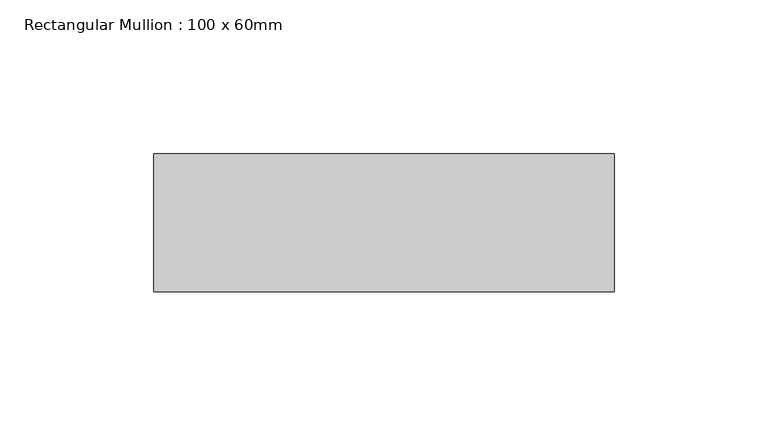
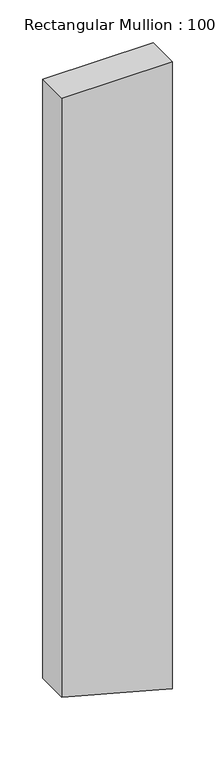
"""IFC4 building model written with IfcOpenShell, lengths in millimetres: member geometry, Rectangular Mullion : 100 x 60mm."""

from ifc_helpers import new_model, si_unit, frame, origin, place, context, project, spatial, polyline, outline, extrude, source, transform, mapped, element, save


def rectangular_mullion_100_x_60mm_c02632e9(model_context):
    return source(origin(), model_context, "Body", "SweptSolid", [
        extrude(outline(polyline([(0.0, 75.0), (0.0, -75.0), (-859.8885639, -75.0), (-890.3873065, 38.8228568), (-900.0809428, 75.0), (0.0, 75.0)])), frame((0.0, -15.0, 0.0), z_axis=(0.0, 1.0, 0.0), x_axis=(0.0, 0.0, 1.0)), (0.0, 0.0, 1.0), 45.0),
    ])


if __name__ == "__main__":
    model = new_model("IFC4")
    model_context = context("Model", 3, world=origin())
    ifc_project = project(units=[si_unit("LENGTHUNIT", "METRE", prefix="MILLI")], contexts=[model_context])
    site = spatial("IfcSite", under=ifc_project)
    building = spatial("IfcBuilding", under=site)
    placement = place(None, origin())
    rectangular_mullion_100_x_60mm_shape = rectangular_mullion_100_x_60mm_c02632e9(model_context)
    element("IfcMember", 1, ObjectType="Rectangular Mullion : 100 x 60mm", at=placement, inside=building, context=model_context, shape_type="MappedRepresentation", body=[
        mapped(rectangular_mullion_100_x_60mm_shape, transform((0.0, 0.0, 0.0), x_axis=(1.0, 0.0, 0.0), y_axis=(0.0, 1.0, 0.0), z_axis=(0.0, 0.0, 1.0))),
    ])
    save(model, "model.ifc")
